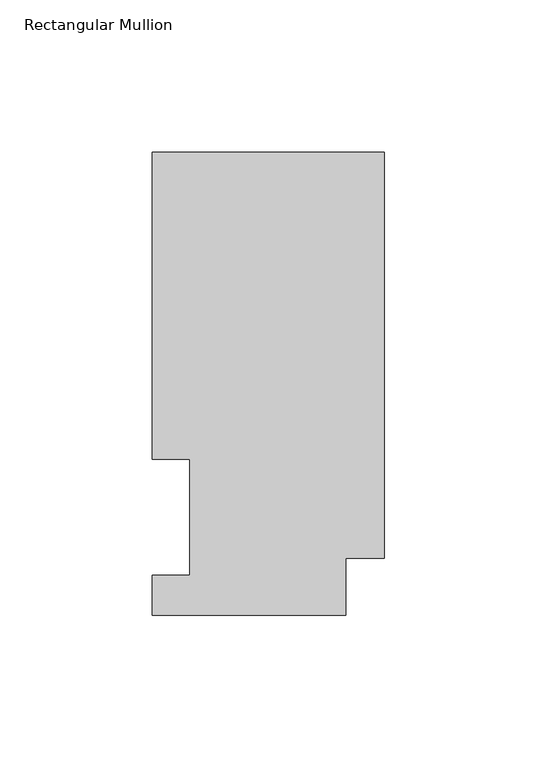
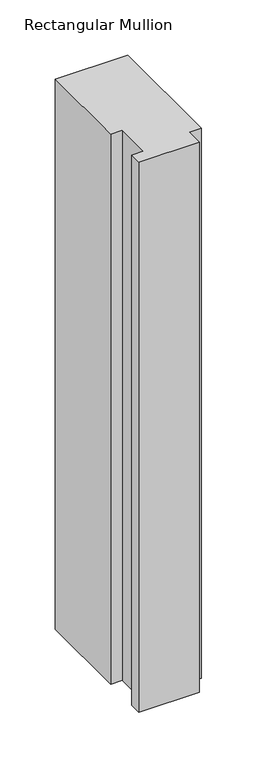
"""IFC4 building model written with IfcOpenShell, lengths in millimetres: member geometry, Rectangular Mullion."""

import ifcopenshell
import ifcopenshell.guid

model = None  # the IFC model being written
_history = None  # IfcOwnerHistory: only IFC2X3 demands one
_inside = {}  # id of a spatial element -> (the spatial element, [elements in it])
_under = {}  # id of a project, library or spatial element -> (it, [spatial elements below it])
_declared = {}  # id of a project -> (the project, [libraries it declares])
_typed = {}  # id of a type object -> (the type object, [elements of that type])
_made_of = {}  # id of a material, layer set ... -> (it, [elements and type objects made of it])


def new_model(schema):
    """Start an empty IFC model of exactly this schema.

    Asked for "IFC4X3", IfcOpenShell would pick the latest addendum, in which some entities
    have other attributes; the version numbers below select the first issue.
    IFC2X3 requires an IfcOwnerHistory on every rooted entity: one is made here for all.
    """
    global model, _history
    if schema == "IFC4X3":
        model = ifcopenshell.file(schema_version=(4, 3, 0, 0))
    else:
        model = ifcopenshell.file(schema=schema)
    _inside.clear()
    _under.clear()
    _declared.clear()
    _typed.clear()
    _made_of.clear()
    _history = None
    if model.schema == "IFC2X3":
        org = make("IfcOrganization", Name="unknown")
        user = make(
            "IfcPersonAndOrganization",
            ThePerson=make("IfcPerson", FamilyName="unknown"),
            TheOrganization=org,
        )
        app = make(
            "IfcApplication",
            ApplicationDeveloper=org,
            Version="unknown",
            ApplicationFullName="unknown",
            ApplicationIdentifier="unknown",
        )
        _history = make(
            "IfcOwnerHistory",
            OwningUser=user,
            OwningApplication=app,
            ChangeAction="ADDED",
            CreationDate=0,
        )
    return model


def make(cls, **values):
    """One entity of the class cls with the attributes given. An attribute that is None is left unset."""
    return model.create_entity(
        cls, **{name: value for name, value in values.items() if value is not None}
    )


def rooted(cls, **values):
    """An entity with a GlobalId (a new one), such as an element, a storey or a relation."""
    return make(cls, GlobalId=ifcopenshell.guid.new(), OwnerHistory=_history, **values)


def si_unit(unit_type, name, prefix=None):
    """IfcSIUnit, for example si_unit("LENGTHUNIT", "METRE", prefix="MILLI")."""
    return make("IfcSIUnit", UnitType=unit_type, Prefix=prefix, Name=name)


def assignment(units):
    """IfcUnitAssignment: the units of a project."""
    return None if units is None else make("IfcUnitAssignment", Units=units)


def point(xyz):
    """IfcCartesianPoint."""
    return None if xyz is None else make("IfcCartesianPoint", Coordinates=xyz)


def direction(xyz):
    """IfcDirection."""
    return None if xyz is None else make("IfcDirection", DirectionRatios=xyz)


def frame(location, z_axis=None, x_axis=None):
    """IfcAxis2Placement3D, a coordinate frame: its origin and axes. An axis left out is left unset."""
    return make(
        "IfcAxis2Placement3D",
        Location=point(location),
        Axis=direction(z_axis),
        RefDirection=direction(x_axis),
    )


def origin():
    """The frame at (0, 0, 0) with its axes left unset."""
    return frame((0.0, 0.0, 0.0))


def place(relative_to, where):
    """IfcLocalPlacement: puts the frame where relative to a parent placement (None: the world)."""
    return make(
        "IfcLocalPlacement", PlacementRelTo=relative_to, RelativePlacement=where
    )


def context(
    kind, dimensions, precision=None, world=None, true_north=None, identifier=None
):
    """IfcGeometricRepresentationContext, for example the 3D "Model" context."""
    return make(
        "IfcGeometricRepresentationContext",
        ContextIdentifier=identifier,
        ContextType=kind,
        CoordinateSpaceDimension=dimensions,
        Precision=precision,
        WorldCoordinateSystem=world,
        TrueNorth=true_north,
    )


def project(units=None, contexts=None):
    """IfcProject with its units and contexts."""
    return rooted(
        "IfcProject",
        Name="project",
        RepresentationContexts=contexts,
        UnitsInContext=assignment(units),
    )


def spatial(cls, under=None, at=None, **own):
    """A site, building, storey or space (cls), placed at a placement, below another one or the project."""
    s = rooted(cls, ObjectPlacement=at, **own)
    if under is not None:
        _under.setdefault(under.id(), (under, []))[1].append(s)
    return s


def polyline(points):
    """IfcPolyline through the points."""
    return make("IfcPolyline", Points=[point(p) for p in points])


def outline(outer, holes=None, kind="AREA"):
    """IfcArbitraryClosedProfileDef: a profile drawn as a closed curve; with holes, ...WithVoids."""
    if holes is None:
        return make("IfcArbitraryClosedProfileDef", ProfileType=kind, OuterCurve=outer)
    return make(
        "IfcArbitraryProfileDefWithVoids",
        ProfileType=kind,
        OuterCurve=outer,
        InnerCurves=holes,
    )


def extrude(swept, where, along, depth):
    """IfcExtrudedAreaSolid: the profile swept, set in the frame where, extruded along a direction by depth."""
    return make(
        "IfcExtrudedAreaSolid",
        SweptArea=swept,
        Position=where,
        ExtrudedDirection=direction(along),
        Depth=depth,
    )


def shape(context_of_items, identifier, shape_type, items):
    """IfcShapeRepresentation: the items that make up one representation, for example the "Body"."""
    return make(
        "IfcShapeRepresentation",
        ContextOfItems=context_of_items,
        RepresentationIdentifier=identifier,
        RepresentationType=shape_type,
        Items=items,
    )


def source(mapping_origin, context_of_items, identifier, shape_type, items):
    """IfcRepresentationMap: a shape defined once, which mapped items show again and again."""
    return make(
        "IfcRepresentationMap",
        MappingOrigin=mapping_origin,
        MappedRepresentation=shape(context_of_items, identifier, shape_type, items),
    )


def transform(
    local_origin,
    x_axis=None,
    y_axis=None,
    z_axis=None,
    scale=None,
    scale2=None,
    scale3=None,
    uniform=True,
):
    """IfcCartesianTransformationOperator3D, or its non-uniform kind. x_axis, y_axis, z_axis: its Axis1, 2, 3."""
    if uniform:
        return make(
            "IfcCartesianTransformationOperator3D",
            Axis1=direction(x_axis),
            Axis2=direction(y_axis),
            LocalOrigin=point(local_origin),
            Scale=scale,
            Axis3=direction(z_axis),
        )
    return make(
        "IfcCartesianTransformationOperator3DnonUniform",
        Axis1=direction(x_axis),
        Axis2=direction(y_axis),
        LocalOrigin=point(local_origin),
        Scale=scale,
        Axis3=direction(z_axis),
        Scale2=scale2,
        Scale3=scale3,
    )


def mapped(mapping_source, mapping_target):
    """IfcMappedItem: shows the shape of a source again, moved by a transform."""
    return make(
        "IfcMappedItem", MappingSource=mapping_source, MappingTarget=mapping_target
    )


def made_of(thing, what):
    """Note that an element or type object is made of a material, layer set ...; save() writes the relation."""
    if what is not None:
        _made_of.setdefault(what.id(), (what, []))[1].append(thing)
    return thing


def element(
    cls,
    number,
    at=None,
    inside=None,
    cuts=None,
    type_object=None,
    material=None,
    context=None,
    identifier="Body",
    shape_type=None,
    held_by="IfcProductDefinitionShape",
    body=None,
    shapes=None,
    **own,
):
    """One element of the class cls, such as IfcWall. Its Tag is "e" and its number.

    at: its placement. inside: the storey or other place that contains it. cuts: it is an
    opening in that element (IfcRelVoidsElement). A single representation is given by context,
    identifier, shape_type and body (its items); several are given by shapes. held_by: the class
    of the entity that holds the representations. save() writes the other relations.
    """
    e = rooted(cls, Tag="e%d" % number, ObjectPlacement=at, **own)
    if body is not None:
        shapes = [shape(context, identifier, shape_type, body)]
    if shapes is not None:
        e.Representation = make(held_by, Representations=shapes)
    if inside is not None:
        _inside.setdefault(inside.id(), (inside, []))[1].append(e)
    if cuts is not None:
        rooted(
            "IfcRelVoidsElement", RelatingBuildingElement=cuts, RelatedOpeningElement=e
        )
    if type_object is not None:
        _typed.setdefault(type_object.id(), (type_object, []))[1].append(e)
    return made_of(e, material)


def aggregate(whole, parts):
    """IfcRelAggregates: a whole, such as a stair, and the parts it consists of."""
    return rooted("IfcRelAggregates", RelatingObject=whole, RelatedObjects=parts)


def save(model, path):
    """Write the relations noted so far, then the file.

    IfcRelAggregates (storeys below a building ...), IfcRelContainedInSpatialStructure (elements
    in a storey), IfcRelDefinesByType, IfcRelAssociatesMaterial and IfcRelDeclares: one each for
    every whole, place, type object, material and project.
    """
    for whole, parts in _under.values():
        aggregate(whole, parts)
    for where, things in _inside.values():
        rooted(
            "IfcRelContainedInSpatialStructure",
            RelatedElements=things,
            RelatingStructure=where,
        )
    for kind, things in _typed.values():
        rooted("IfcRelDefinesByType", RelatedObjects=things, RelatingType=kind)
    for what, things in _made_of.values():
        rooted("IfcRelAssociatesMaterial", RelatedObjects=things, RelatingMaterial=what)
    for by, libraries in _declared.values():
        rooted("IfcRelDeclares", RelatingContext=by, RelatedDefinitions=libraries)
    model.write(path)


def rectangular_mullion_cf19aa42(model_context):
    return source(origin(), model_context, "Body", "SweptSolid", [
        extrude(outline(polyline([(-76.2, 151.9816937), (0.0, 151.9816937), (0.0, 18.7332937), (-12.7, 18.7332937), (-12.7, 0.0134937), (-76.2, 0.0134937), (-76.2, 13.1960938), (-63.8581605, 13.1960937), (-63.8581605, 51.2960937), (-76.2, 51.2960937), (-76.2, 151.9816937)])), frame((0.0, 0.0, -609.6), z_axis=(0.0, 0.0, 1.0), x_axis=(1.0, 0.0, 0.0)), (0.0, 0.0, 1.0), 609.6),
    ])


if __name__ == "__main__":
    model = new_model("IFC4")
    model_context = context("Model", 3, world=origin())
    ifc_project = project(units=[si_unit("LENGTHUNIT", "METRE", prefix="MILLI")], contexts=[model_context])
    site = spatial("IfcSite", under=ifc_project)
    building = spatial("IfcBuilding", under=site)
    placement = place(None, origin())
    rectangular_mullion_shape = rectangular_mullion_cf19aa42(model_context)
    element("IfcMember", 1, ObjectType="Rectangular Mullion", at=placement, inside=building, context=model_context, shape_type="MappedRepresentation", body=[
        mapped(rectangular_mullion_shape, transform((0.0, 0.0, 0.0), x_axis=(1.0, 0.0, 0.0), y_axis=(0.0, 1.0, 0.0), z_axis=(0.0, 0.0, 1.0))),
    ])
    save(model, "model.ifc")
